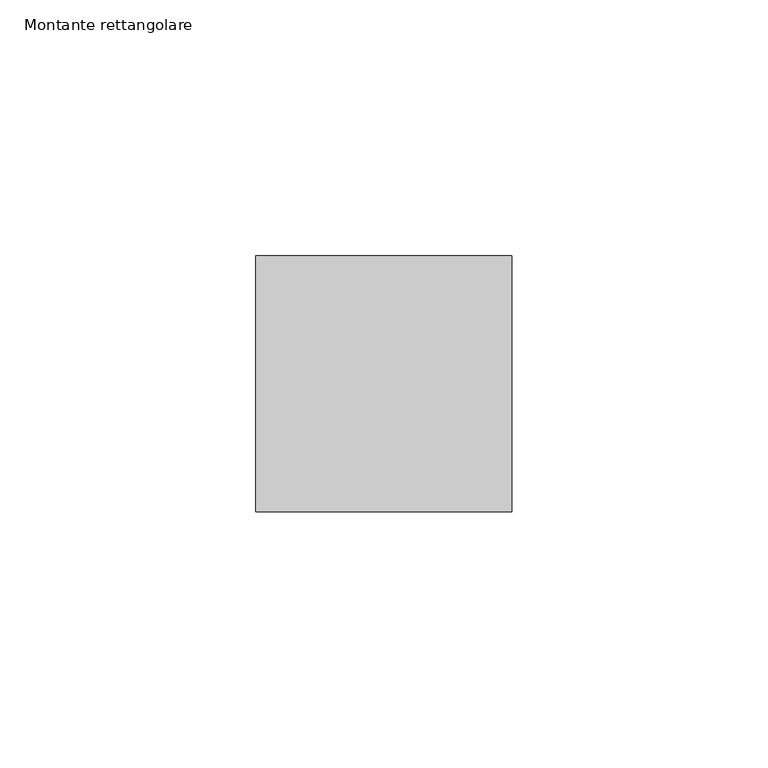
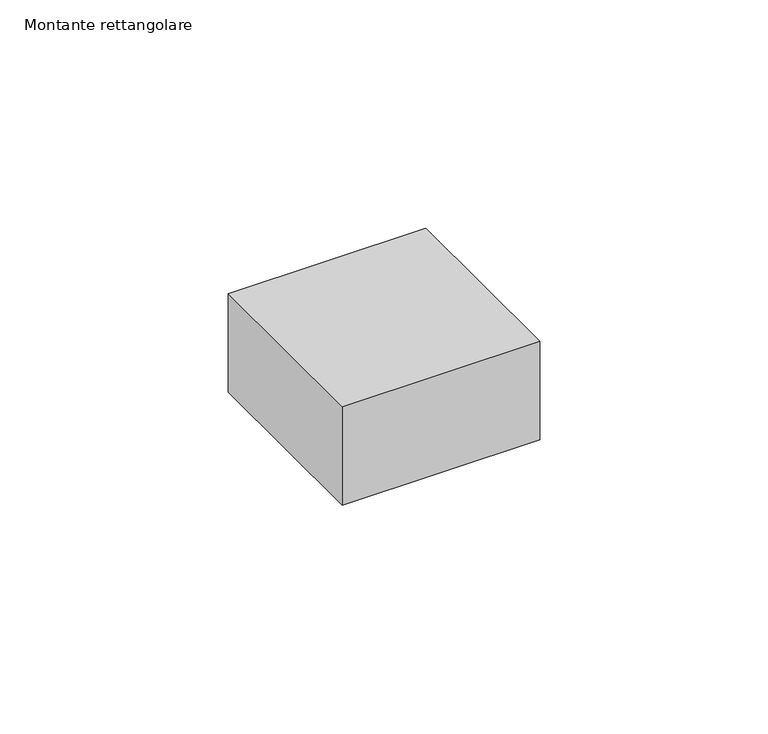
"""IFC4 building model written with IfcOpenShell, lengths in millimetres: member geometry, Montante rettangolare."""

from ifc_helpers import new_model, si_unit, frame, origin, place, context, project, spatial, polyline, outline, extrude, source, transform, mapped, element, save


def montante_rettangolare_fb03c4cf(model_context):
    return source(origin(), model_context, "Body", "SweptSolid", [
        extrude(outline(polyline([(25.0, 25.0), (25.0, -25.0), (-25.0, -25.0), (-25.0, 25.0), (25.0, 25.0)])), frame((0.0, 0.0, -26.3327574), z_axis=(0.0, 0.0, 1.0), x_axis=(1.0, 0.0, 0.0)), (0.0, 0.0, 1.0), 26.3327574),
    ])


if __name__ == "__main__":
    model = new_model("IFC4")
    model_context = context("Model", 3, world=origin())
    ifc_project = project(units=[si_unit("LENGTHUNIT", "METRE", prefix="MILLI")], contexts=[model_context])
    site = spatial("IfcSite", under=ifc_project)
    building = spatial("IfcBuilding", under=site)
    placement = place(None, origin())
    montante_rettangolare_shape = montante_rettangolare_fb03c4cf(model_context)
    element("IfcMember", 1, ObjectType="Montante rettangolare", at=placement, inside=building, context=model_context, shape_type="MappedRepresentation", body=[
        mapped(montante_rettangolare_shape, transform((0.0, 0.0, 0.0), x_axis=(1.0, 0.0, 0.0), y_axis=(0.0, 1.0, 0.0), z_axis=(0.0, 0.0, 1.0))),
    ])
    save(model, "model.ifc")
